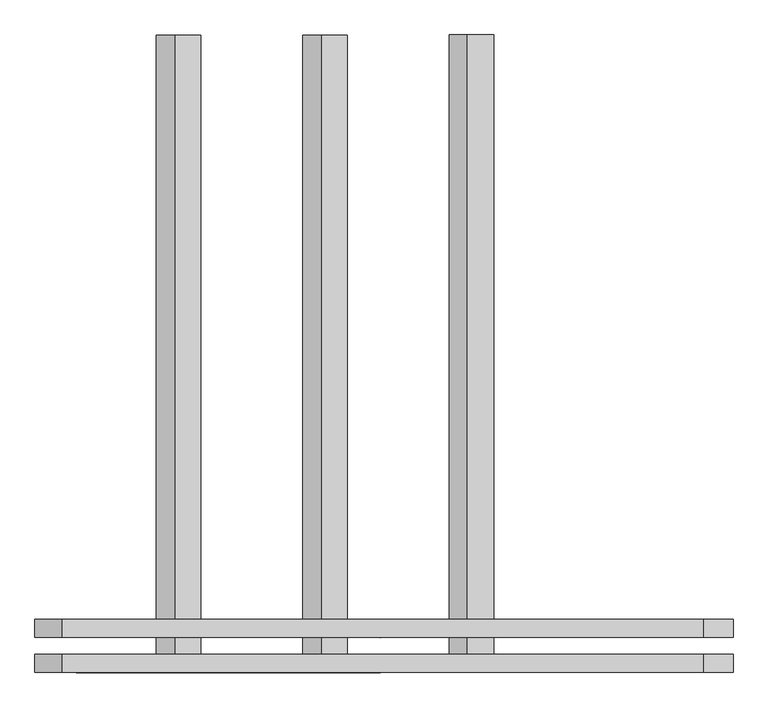
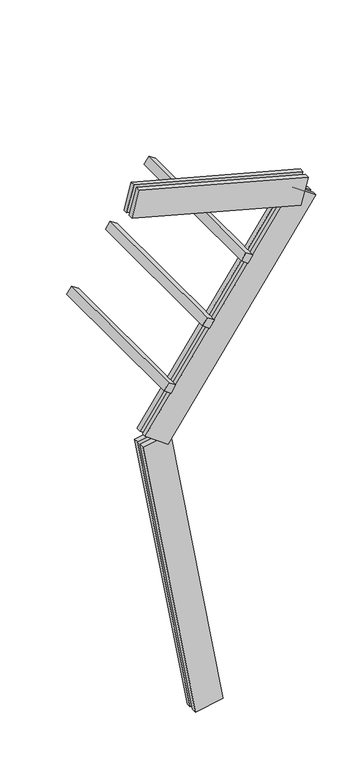
"""IFC4 building model written with IfcOpenShell, lengths in millimetres: proxy geometry."""

from ifc_helpers import new_model, si_unit, frame, origin, place, context, project, spatial, polyline, outline, extrude, source, transform, mapped, element, save


def generic_models_277cf8cc(model_context):
    return source(origin(), model_context, "Body", "SweptSolid", [
        extrude(outline(polyline([(0.0, 1500.0), (75.0, 1500.0), (75.0, 0.0), (0.0, 0.0), (0.0, 1500.0)])), frame((-403.249914, -62.5, 3101.3570381), z_axis=(0.5735764363510469, 0.0, 0.8191520442889914), x_axis=(0.8191520442889914, 0.0, -0.5735764363510469)), (0.0, 0.0, 1.0), 75.0),
        extrude(outline(polyline([(0.0, 1500.0), (75.0, 1500.0), (75.0, 0.0), (0.0, 0.0), (0.0, 1500.0)])), frame((-59.1040522, -62.5, 3592.8482647), z_axis=(0.5735764363510469, 0.0, 0.8191520442889914), x_axis=(0.8191520442889914, 0.0, -0.5735764363510469)), (0.0, 0.0, 1.0), 75.0),
        extrude(outline(polyline([(0.0, 1500.0), (75.0, 1500.0), (75.0, 0.0), (0.0, 0.0), (0.0, 1500.0)])), frame((285.0418096, -62.5, 4084.3394913), z_axis=(0.5735764363510469, 0.0, 0.8191520442889914), x_axis=(0.8191520442889914, 0.0, -0.5735764363510469)), (0.0, 0.0, 1.0), 75.0),
        extrude(outline(polyline([(1560.0, 125.0), (1560.0, 82.5), (0.0, 82.5), (0.0, 125.0), (1560.0, 125.0)])), frame((818.0233433, 62.5, 4422.2899067), z_axis=(0.25881904510252385, 0.0, 0.9659258262890675), x_axis=(-0.9659258262890675, 0.0, 0.25881904510252385)), (0.0, 0.0, 1.0), 250.0),
        extrude(outline(polyline([(0.0, 0.0), (0.0, 42.5), (1560.0, 42.5), (1560.0, 0.0), (0.0, 0.0)])), frame((818.0233433, 62.5, 4422.2899067), z_axis=(0.25881904510252385, 0.0, 0.9659258262890675), x_axis=(-0.9659258262890675, 0.0, 0.25881904510252385)), (0.0, 0.0, 1.0), 250.0),
        extrude(outline(polyline([(-125.0, 249.9999999), (-82.5, 249.9999999), (-82.5, 0.0), (-125.0, 0.0), (-125.0, 249.9999999)])), frame((-366.4560742, 62.5, 2587.2838786), z_axis=(0.5735764363510469, 0.0, 0.8191520442889914), x_axis=(0.0, 1.0, 0.0)), (0.0, 0.0, 1.0), 2300.0),
        extrude(outline(polyline([(0.0, 0.0), (-42.5, 0.0), (-42.5, 249.9999999), (0.0, 249.9999999), (0.0, 0.0)])), frame((-366.4560742, 62.5, 2587.2838786), z_axis=(0.5735764363510469, 0.0, 0.8191520442889914), x_axis=(0.0, 1.0, 0.0)), (0.0, 0.0, 1.0), 2300.0),
        extrude(outline(polyline([(-125.0, 249.9999999), (-82.5, 249.9999999), (-82.5, 0.0), (-125.0, 0.0), (-125.0, 249.9999999)])), frame((123.1009691, 62.5, 21.7060222), z_axis=(-0.17364817766693158, 0.0, 0.9848077530122079), x_axis=(0.0, 1.0, 0.0)), (0.0, 0.0, 1.0), 2700.0),
        extrude(outline(polyline([(0.0, 0.0), (-42.5, 0.0), (-42.5, 249.9999999), (0.0, 249.9999999), (0.0, 0.0)])), frame((123.1009691, 62.5, 21.7060222), z_axis=(-0.17364817766693158, 0.0, 0.9848077530122079), x_axis=(0.0, 1.0, 0.0)), (0.0, 0.0, 1.0), 2700.0),
    ])


if __name__ == "__main__":
    model = new_model("IFC4")
    model_context = context("Model", 3, world=origin())
    ifc_project = project(units=[si_unit("LENGTHUNIT", "METRE", prefix="MILLI")], contexts=[model_context])
    site = spatial("IfcSite", under=ifc_project)
    building = spatial("IfcBuilding", under=site)
    placement = place(None, origin())
    generic_models_shape = generic_models_277cf8cc(model_context)
    element("IfcBuildingElementProxy", 1, Name="Generic Models", at=placement, inside=building, context=model_context, shape_type="MappedRepresentation", body=[
        mapped(generic_models_shape, transform((0.0, 0.0, 0.0), x_axis=(1.0, 0.0, 0.0), y_axis=(0.0, 1.0, 0.0), z_axis=(0.0, 0.0, 1.0))),
    ])
    save(model, "model.ifc")
